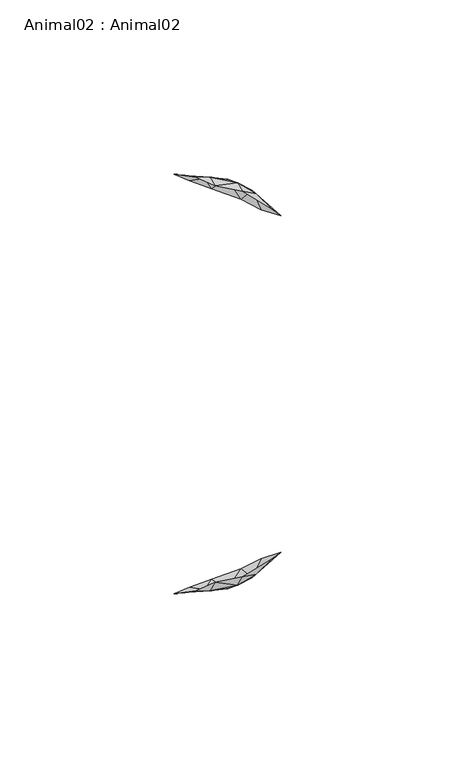
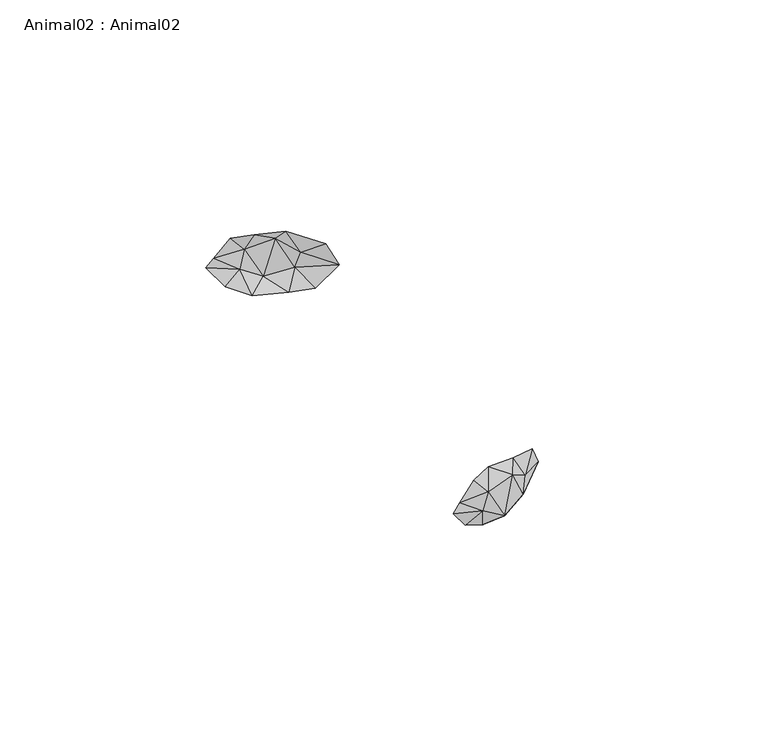
"""IFC4 building model written with IfcOpenShell, lengths in millimetres: geographic element geometry, Animal02 : Animal02."""

from ifc_helpers import new_model, si_unit, origin, place, context, project, spatial, triangles, source, transform, mapped, element, save


def animal02_animal02_96adf798(model_context):
    return source(origin(), model_context, "Body", "Tessellation", [
        triangles([(-162.7525839, 68.5023276, 733.0559092), (-157.3692461, 66.0582135, 733.6163401), (-150.937562, 67.0413975, 729.6670172), (-141.1070847, 59.4738407, 729.2450953), (-145.6561257, 63.763132, 725.668424), (-149.4063964, 64.583953, 732.7196651), (-158.779716, 68.6100245, 728.2274975), (-167.0137519, 69.0754349, 728.2363632), (-169.1452897, 69.4322263, 725.8826551), (-160.2201077, 68.3255669, 722.9493313), (-162.7525839, -50.0544892, 733.0559092), (-158.779716, -50.1621862, 728.2274975), (-157.3692461, -47.6103752, 733.6163401), (-145.6561257, -45.3152936, 725.668424), (-149.4063964, -46.1361147, 732.7196651), (-150.937562, -48.5935546, 729.6670172), (-169.1452897, -50.9843834, 725.8826551), (-167.0137519, -50.627592, 728.2363632), (-149.8550154, 62.2902704, 716.2434906), (-144.1352065, -40.8587887, 717.2522226), (-149.8550154, -43.842432, 716.2434906), (-146.7764334, 64.806732, 721.0300444), (-144.1352065, 59.3066271, 717.2522226), (-138.4154157, 57.5358458, 723.3046875), (-153.8183546, 67.9561854, 718.9507381), (-164.6591899, 67.5996574, 719.8301176), (-158.378614, 65.3199274, 716.3555477), (-160.2201077, -49.8777286, 722.9493313), (-164.6591899, -49.1518191, 719.8301176), (-146.7764334, -46.3588936, 721.0300444), (-138.4154157, -39.0880075, 723.3046875), (-141.1070847, -41.0260024, 729.2450953), (-153.8183546, -49.5083425, 718.9507381), (-158.378614, -46.872089, 716.3555477)], [[2, 7, 1], [3, 7, 2], [3, 2, 6], [5, 6, 4], [3, 6, 5], [10, 8, 7], [10, 9, 8], [7, 8, 1], [12, 13, 11], [12, 16, 13], [15, 14, 32], [15, 16, 14], [13, 16, 15], [18, 28, 12], [17, 28, 18], [18, 12, 11], [22, 19, 25], [22, 23, 19], [25, 19, 27], [21, 30, 33], [20, 30, 21], [21, 33, 34], [5, 24, 22], [5, 4, 24], [22, 24, 23], [27, 10, 25], [27, 26, 10], [10, 26, 9], [29, 28, 17], [31, 14, 30], [32, 14, 31], [31, 30, 20], [28, 34, 33], [29, 34, 28]], closed=False),
        triangles([(-160.2201077, 68.3255669, 722.9493313), (-153.8183546, 67.9561854, 718.9507381), (-150.937562, 67.0413975, 729.6670172), (-158.779716, 68.6100245, 728.2274975), (-145.6561257, 63.763132, 725.668424), (-146.7764334, 64.806732, 721.0300444), (-145.6561257, -45.3152936, 725.668424), (-146.7764334, -46.3588936, 721.0300444), (-153.8183546, -49.5083425, 718.9507381), (-160.2201077, -49.8777286, 722.9493313), (-150.937562, -48.5935546, 729.6670172), (-158.779716, -50.1621862, 728.2274975)], [[4, 2, 1], [4, 3, 2], [6, 3, 5], [2, 3, 6], [8, 11, 7], [9, 11, 8], [12, 9, 10], [12, 11, 9]], closed=False),
    ])


if __name__ == "__main__":
    model = new_model("IFC4")
    model_context = context("Model", 3, world=origin())
    ifc_project = project(units=[si_unit("LENGTHUNIT", "METRE", prefix="MILLI")], contexts=[model_context])
    site = spatial("IfcSite", under=ifc_project)
    building = spatial("IfcBuilding", under=site)
    placement = place(None, origin())
    animal02_animal02_shape = animal02_animal02_96adf798(model_context)
    element("IfcGeographicElement", 1, ObjectType="Animal02 : Animal02", at=placement, inside=building, context=model_context, shape_type="MappedRepresentation", body=[
        mapped(animal02_animal02_shape, transform((0.0, 0.0, 0.0), x_axis=(1.0, 0.0, 0.0), y_axis=(0.0, 1.0, 0.0), z_axis=(0.0, 0.0, 1.0))),
    ])
    save(model, "model.ifc")
